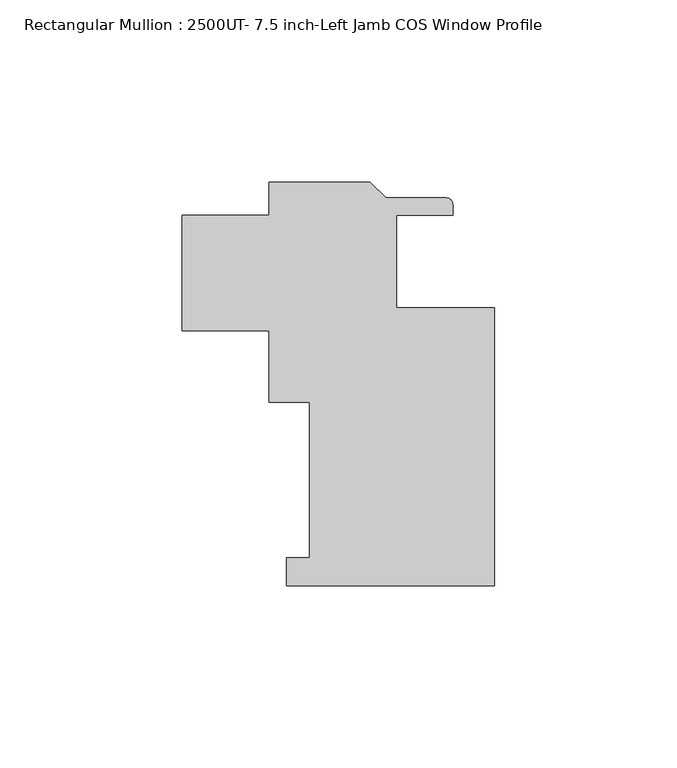
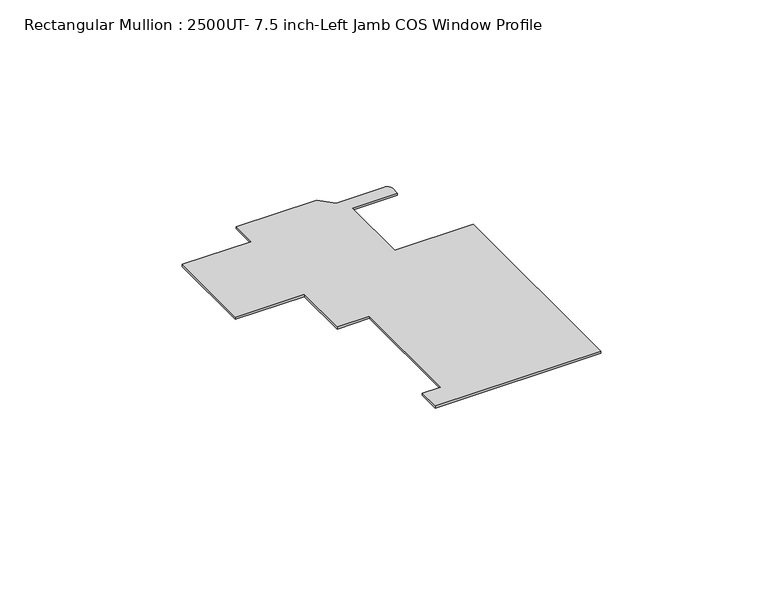
"""IFC4 building model written with IfcOpenShell, lengths in millimetres: member geometry, Rectangular Mullion : 2500UT- 7.5 inch-Left Jamb COS Window Profile."""

from ifc_helpers import new_model, si_unit, point, frame, frame_2d, origin, place, context, project, spatial, polyline, circle_curve, trimmed, segment, composite_curve, outline, extrude, source, transform, mapped, element, save


def rectangular_mullion_2500ut_7_5_inch_left_jamb_cos_window_ca409ea3(model_context):
    return source(origin(), model_context, "Body", "SweptSolid", [
        extrude(outline(composite_curve([segment(polyline([(61.9087916, -88.737276), (4.7587917, -88.737276), (4.7587917, -81.118075), (11.1087917, -81.118075), (11.1087917, -38.414325), (-0.0037083, -38.414325), (-0.0037083, -18.887281), (-23.7998, -18.887281), (-23.7998, 12.862719), (0.0, 12.862719), (0.0, 21.828125), (27.7727335, 21.828125), (32.0399335, 17.560925), (48.6444413, 17.560925)]), True, "CONTINUOUS"), segment(trimmed(circle_curve(frame_2d((48.6444413, 15.782925)), 1.778), [point((48.6444413, 17.560925))], [point((50.4224413, 15.782925))], False, "CARTESIAN"), True, "CONTINUOUS"), segment(polyline([(50.4224413, 15.782925), (50.4224413, 12.8619249), (34.9212917, 12.8619249), (34.9212917, -12.537276), (61.9087916, -12.537276), (61.9087916, -88.737276)]), True, "CONTINUOUS")], self_intersect=False)), frame((0.0, 0.0, -0.7941147), z_axis=(0.0, 0.0, 1.0), x_axis=(1.0, 0.0, 0.0)), (0.0, 0.0, 1.0), 0.7941147),
    ])


if __name__ == "__main__":
    model = new_model("IFC4")
    model_context = context("Model", 3, world=origin())
    ifc_project = project(units=[si_unit("LENGTHUNIT", "METRE", prefix="MILLI")], contexts=[model_context])
    site = spatial("IfcSite", under=ifc_project)
    building = spatial("IfcBuilding", under=site)
    placement = place(None, origin())
    rectangular_mullion_2500ut_7_5_inch_left_jamb_cos_window_shape = rectangular_mullion_2500ut_7_5_inch_left_jamb_cos_window_ca409ea3(model_context)
    element("IfcMember", 1, ObjectType="Rectangular Mullion : 2500UT- 7.5 inch-Left Jamb COS Window Profile", at=placement, inside=building, context=model_context, shape_type="MappedRepresentation", body=[
        mapped(rectangular_mullion_2500ut_7_5_inch_left_jamb_cos_window_shape, transform((0.0, 0.0, 0.0), x_axis=(1.0, 0.0, 0.0), y_axis=(0.0, 1.0, 0.0), z_axis=(0.0, 0.0, 1.0))),
    ])
    save(model, "model.ifc")
